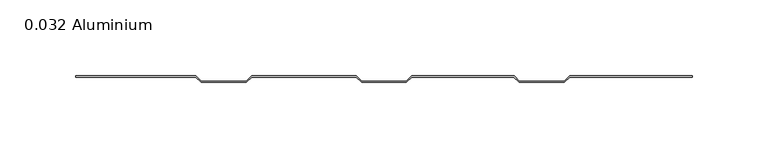
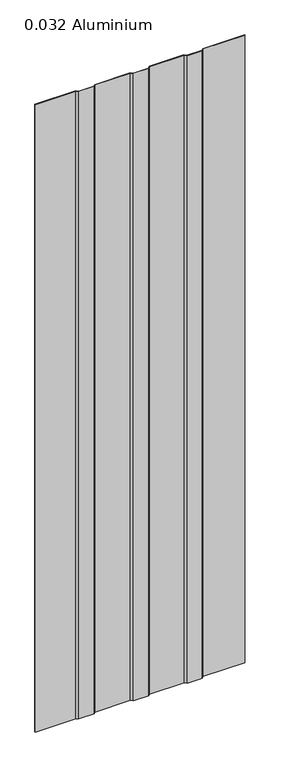
"""IFC4 building model written with IfcOpenShell, lengths in millimetres: plate geometry, 0.032 Aluminium."""

from ifc_helpers import new_model, si_unit, origin, origin_with_axes, place, context, project, spatial, polyline, outline, extrude, source, transform, mapped, element, save


def plate_0_032_aluminium_91d3225e(model_context):
    return source(origin(), model_context, "Body", "SweptSolid", [
        extrude(outline(polyline([(-123.9800294, 0.8128), (-120.4316494, -2.73558), (-90.8914494, -2.73558), (-87.3430694, 0.8128), (-18.31848, 0.8128), (-14.7701, -2.73558), (14.7701, -2.73558), (18.31848, 0.8128), (85.75548, 0.8128), (89.30386, -2.73558), (118.84406, -2.73558), (122.39244, 0.8128), (203.2, 0.8128), (203.2, 0.0), (122.456147, 0.0), (118.907767, -3.54838), (89.240153, -3.54838), (85.691773, 0.0), (18.382187, 0.0), (14.833807, -3.54838), (-14.833807, -3.54838), (-18.382187, 0.0), (-87.2793624, 0.0), (-90.8277424, -3.54838), (-120.4953564, -3.54838), (-124.0437364, 0.0), (-203.2, 0.0), (-203.2, 0.8128), (-123.9800294, 0.8128)])), origin_with_axes(), (0.0, 0.0, 1.0), 1285.875),
    ])


if __name__ == "__main__":
    model = new_model("IFC4")
    model_context = context("Model", 3, world=origin())
    ifc_project = project(units=[si_unit("LENGTHUNIT", "METRE", prefix="MILLI")], contexts=[model_context])
    site = spatial("IfcSite", under=ifc_project)
    building = spatial("IfcBuilding", under=site)
    placement = place(None, origin())
    plate_0_032_aluminium_shape = plate_0_032_aluminium_91d3225e(model_context)
    element("IfcPlate", 1, ObjectType="0.032 Aluminium", at=placement, inside=building, context=model_context, shape_type="MappedRepresentation", body=[
        mapped(plate_0_032_aluminium_shape, transform((0.0, 0.0, 0.0), x_axis=(1.0, 0.0, 0.0), y_axis=(0.0, 1.0, 0.0), z_axis=(0.0, 0.0, 1.0))),
    ])
    save(model, "model.ifc")
